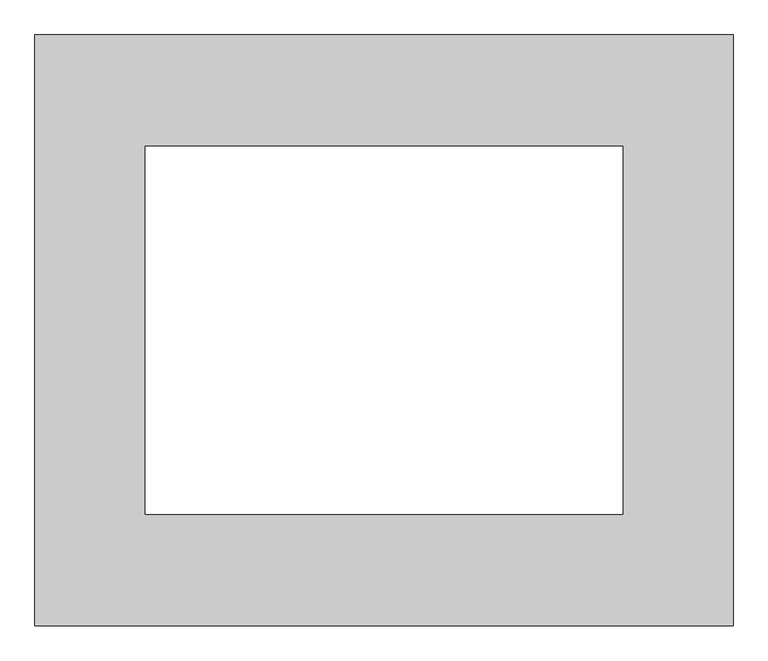
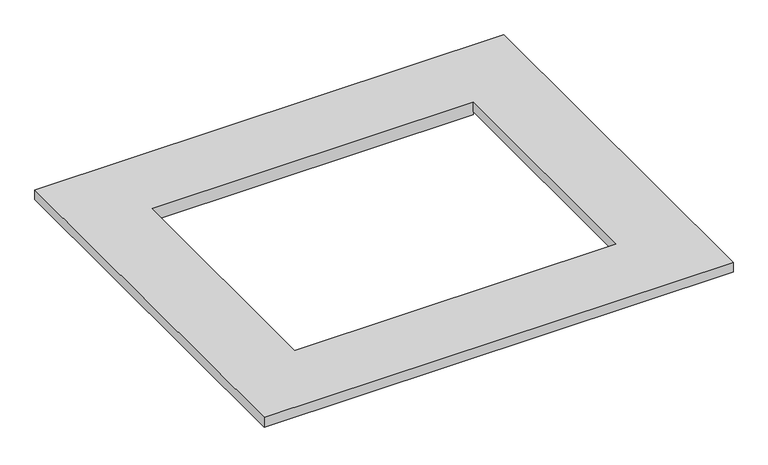
"""IFC4 building model written with IfcOpenShell, lengths in millimetres: proxy geometry."""

from ifc_helpers import new_model, si_unit, origin, place, context, project, spatial, faceted_brep, source, transform, mapped, element, save


def generic_models_6f241ddc(model_context):
    return source(origin(), model_context, "Body", "Brep", [
        faceted_brep([(-583.3491, 493.649, 25.4), (-583.3491, -493.649, 25.4), (583.3491, -493.649, 25.4), (583.3491, 493.649, 25.4), (399.1991, 307.7464, 25.4), (399.1991, -307.7464, 25.4), (-399.1991, -307.7464, 25.4), (-399.1991, 307.7464, 25.4), (-583.3491, 493.649, 0.0), (583.3491, 493.649, 0.0), (583.3491, -493.649, 0.0), (-583.3491, -493.649, 0.0), (-399.1991, 307.7464, 0.0), (-399.1991, -307.7464, 0.0), (-399.1991, -308.7624, 0.0), (399.1991, -308.7624, 0.0), (399.1991, -307.7464, 0.0), (399.1991, 307.7464, 0.0), (399.1991, 308.7624, 0.0), (-399.1991, 308.7624, 0.0), (399.1991, -307.7464, -7.7978), (-399.1991, -307.7464, -7.7978), (-399.1991, 307.7464, -7.7978), (399.1991, 307.7464, -7.7978), (399.1991, 321.3608, -7.7978), (399.1991, 321.3608, -6.7818), (399.1991, 308.7624, -6.7818), (-399.1991, 308.7624, -6.7818), (-399.1991, 321.3608, -6.7818), (-399.1991, 321.3608, -7.7978), (399.1991, -308.7624, -6.7818), (399.1991, -321.3608, -6.7818), (399.1991, -321.3608, -7.7978), (-399.1991, -321.3608, -7.7978), (-399.1991, -321.3608, -6.7818), (-399.1991, -308.7624, -6.7818)], [[[0, 1, 2, 3], [4, 5, 6, 7]], [[8, 9, 10, 11], [12, 13, 14, 15, 16, 17, 18, 19]], [[1, 0, 8, 11]], [[2, 1, 11, 10]], [[3, 2, 10, 9]], [[0, 3, 9, 8]], [[5, 4, 17, 16]], [[6, 5, 16, 20, 21, 13]], [[7, 6, 13, 12]], [[4, 7, 12, 22, 23, 17]], [[23, 24, 25, 26, 18, 17]], [[27, 28, 29, 22, 12, 19]], [[26, 27, 19, 18]], [[26, 25, 28, 27]], [[25, 24, 29, 28]], [[24, 23, 22, 29]], [[30, 31, 32, 20, 16, 15]], [[21, 33, 34, 35, 14, 13]], [[35, 30, 15, 14]], [[31, 30, 35, 34]], [[32, 31, 34, 33]], [[20, 32, 33, 21]]]),
    ])


if __name__ == "__main__":
    model = new_model("IFC4")
    model_context = context("Model", 3, world=origin())
    ifc_project = project(units=[si_unit("LENGTHUNIT", "METRE", prefix="MILLI")], contexts=[model_context])
    site = spatial("IfcSite", under=ifc_project)
    building = spatial("IfcBuilding", under=site)
    placement = place(None, origin())
    generic_models_shape = generic_models_6f241ddc(model_context)
    element("IfcBuildingElementProxy", 1, Name="Generic Models", at=placement, inside=building, context=model_context, shape_type="MappedRepresentation", body=[
        mapped(generic_models_shape, transform((0.0, 0.0, 0.0), x_axis=(1.0, 0.0, 0.0), y_axis=(0.0, 1.0, 0.0), z_axis=(0.0, 0.0, 1.0))),
    ])
    save(model, "model.ifc")
